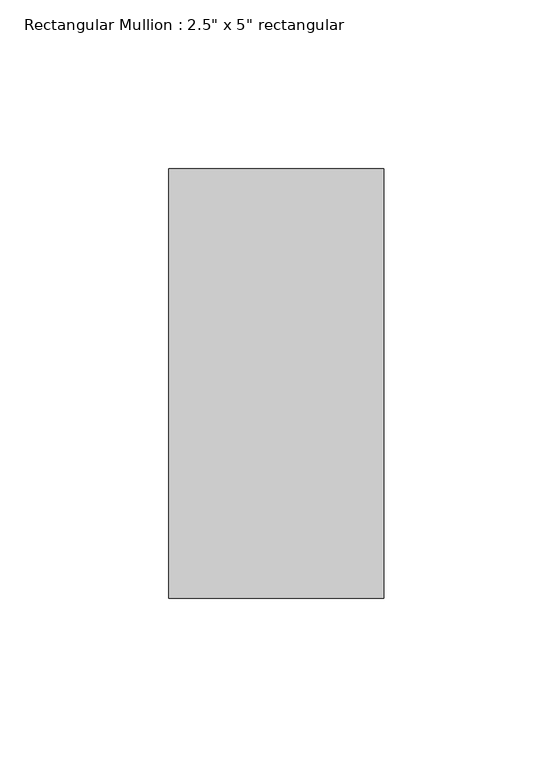
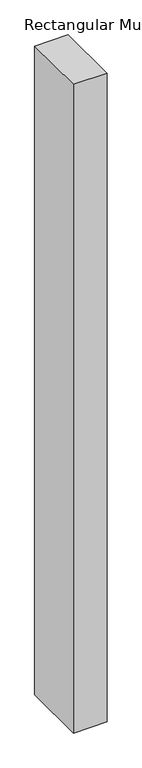
"""IFC4 building model written with IfcOpenShell, lengths in millimetres: member geometry."""

from ifc_helpers import new_model, si_unit, frame, origin, place, context, project, spatial, polyline, outline, extrude, source, transform, mapped, element, save


def member_f08d835a(model_context):
    return source(origin(), model_context, "Body", "SweptSolid", [
        extrude(outline(polyline([(0.0, 63.5), (0.0, -63.5), (-63.5, -63.5), (-63.5, 63.5), (0.0, 63.5)])), frame((0.0, 0.0, -1298.0833333), z_axis=(0.0, 0.0, 1.0), x_axis=(1.0, 0.0, 0.0)), (0.0, 0.0, 1.0), 1298.0833333),
    ])


if __name__ == "__main__":
    model = new_model("IFC4")
    model_context = context("Model", 3, world=origin())
    ifc_project = project(units=[si_unit("LENGTHUNIT", "METRE", prefix="MILLI")], contexts=[model_context])
    site = spatial("IfcSite", under=ifc_project)
    building = spatial("IfcBuilding", under=site)
    placement = place(None, origin())
    member_shape = member_f08d835a(model_context)
    element("IfcMember", 1, ObjectType="Rectangular Mullion : 2.5\" x 5\" rectangular", at=placement, inside=building, context=model_context, shape_type="MappedRepresentation", body=[
        mapped(member_shape, transform((0.0, 0.0, 0.0), x_axis=(1.0, 0.0, 0.0), y_axis=(0.0, 1.0, 0.0), z_axis=(0.0, 0.0, 1.0))),
    ])
    save(model, "model.ifc")
